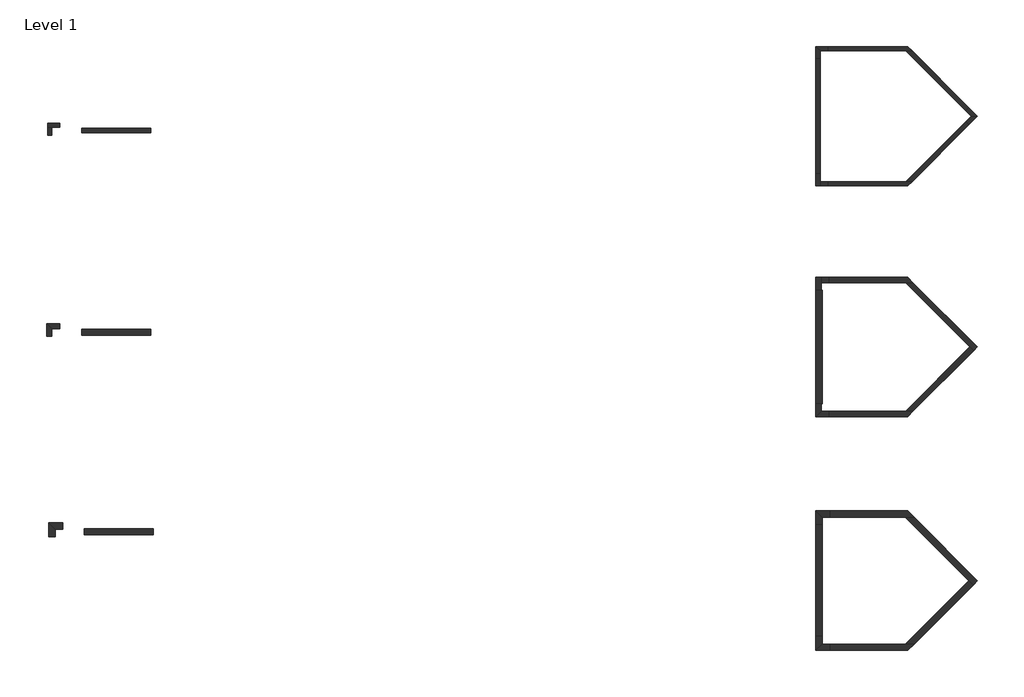
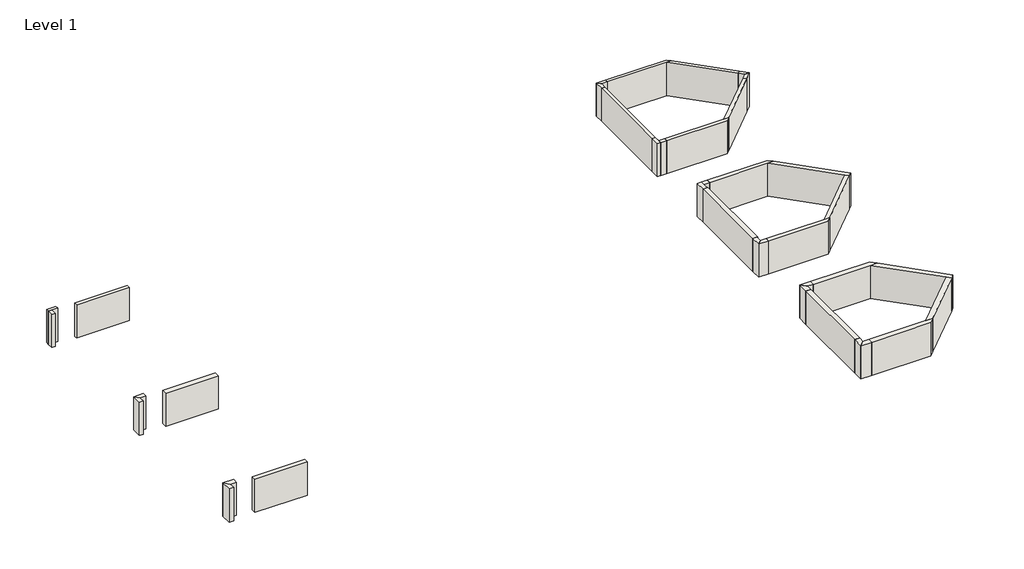
# One storey: 38 walls.
"""IFC4 building model written with IfcOpenShell, lengths in millimetres."""

import ifcopenshell
import ifcopenshell.guid

model = None  # the IFC model being written
_history = None  # IfcOwnerHistory: only IFC2X3 demands one
_inside = {}  # id of a spatial element -> (the spatial element, [elements in it])
_under = {}  # id of a project, library or spatial element -> (it, [spatial elements below it])
_declared = {}  # id of a project -> (the project, [libraries it declares])
_typed = {}  # id of a type object -> (the type object, [elements of that type])
_made_of = {}  # id of a material, layer set ... -> (it, [elements and type objects made of it])


def new_model(schema):
    """Start an empty IFC model of exactly this schema.

    Asked for "IFC4X3", IfcOpenShell would pick the latest addendum, in which some entities
    have other attributes; the version numbers below select the first issue.
    IFC2X3 requires an IfcOwnerHistory on every rooted entity: one is made here for all.
    """
    global model, _history
    if schema == "IFC4X3":
        model = ifcopenshell.file(schema_version=(4, 3, 0, 0))
    else:
        model = ifcopenshell.file(schema=schema)
    _inside.clear()
    _under.clear()
    _declared.clear()
    _typed.clear()
    _made_of.clear()
    _history = None
    if model.schema == "IFC2X3":
        org = make("IfcOrganization", Name="unknown")
        user = make(
            "IfcPersonAndOrganization",
            ThePerson=make("IfcPerson", FamilyName="unknown"),
            TheOrganization=org,
        )
        app = make(
            "IfcApplication",
            ApplicationDeveloper=org,
            Version="unknown",
            ApplicationFullName="unknown",
            ApplicationIdentifier="unknown",
        )
        _history = make(
            "IfcOwnerHistory",
            OwningUser=user,
            OwningApplication=app,
            ChangeAction="ADDED",
            CreationDate=0,
        )
    return model


def make(cls, **values):
    """One entity of the class cls with the attributes given. An attribute that is None is left unset."""
    return model.create_entity(
        cls, **{name: value for name, value in values.items() if value is not None}
    )


def rooted(cls, **values):
    """An entity with a GlobalId (a new one), such as an element, a storey or a relation."""
    return make(cls, GlobalId=ifcopenshell.guid.new(), OwnerHistory=_history, **values)


def si_unit(unit_type, name, prefix=None):
    """IfcSIUnit, for example si_unit("LENGTHUNIT", "METRE", prefix="MILLI")."""
    return make("IfcSIUnit", UnitType=unit_type, Prefix=prefix, Name=name)


def assignment(units):
    """IfcUnitAssignment: the units of a project."""
    return None if units is None else make("IfcUnitAssignment", Units=units)


def point(xyz):
    """IfcCartesianPoint."""
    return None if xyz is None else make("IfcCartesianPoint", Coordinates=xyz)


def direction(xyz):
    """IfcDirection."""
    return None if xyz is None else make("IfcDirection", DirectionRatios=xyz)


def frame(location, z_axis=None, x_axis=None):
    """IfcAxis2Placement3D, a coordinate frame: its origin and axes. An axis left out is left unset."""
    return make(
        "IfcAxis2Placement3D",
        Location=point(location),
        Axis=direction(z_axis),
        RefDirection=direction(x_axis),
    )


def origin():
    """The frame at (0, 0, 0) with its axes left unset."""
    return frame((0.0, 0.0, 0.0))


def origin_with_axes():
    """The frame at (0, 0, 0) with the z axis (0, 0, 1) and the x axis (1, 0, 0) written out."""
    return frame((0.0, 0.0, 0.0), z_axis=(0.0, 0.0, 1.0), x_axis=(1.0, 0.0, 0.0))


def place(relative_to, where):
    """IfcLocalPlacement: puts the frame where relative to a parent placement (None: the world)."""
    return make(
        "IfcLocalPlacement", PlacementRelTo=relative_to, RelativePlacement=where
    )


def context(
    kind, dimensions, precision=None, world=None, true_north=None, identifier=None
):
    """IfcGeometricRepresentationContext, for example the 3D "Model" context."""
    return make(
        "IfcGeometricRepresentationContext",
        ContextIdentifier=identifier,
        ContextType=kind,
        CoordinateSpaceDimension=dimensions,
        Precision=precision,
        WorldCoordinateSystem=world,
        TrueNorth=true_north,
    )


def project(units=None, contexts=None):
    """IfcProject with its units and contexts."""
    return rooted(
        "IfcProject",
        Name="project",
        RepresentationContexts=contexts,
        UnitsInContext=assignment(units),
    )


def spatial(cls, under=None, at=None, **own):
    """A site, building, storey or space (cls), placed at a placement, below another one or the project."""
    s = rooted(cls, ObjectPlacement=at, **own)
    if under is not None:
        _under.setdefault(under.id(), (under, []))[1].append(s)
    return s


def polyline(points):
    """IfcPolyline through the points."""
    return make("IfcPolyline", Points=[point(p) for p in points])


def outline(outer, holes=None, kind="AREA"):
    """IfcArbitraryClosedProfileDef: a profile drawn as a closed curve; with holes, ...WithVoids."""
    if holes is None:
        return make("IfcArbitraryClosedProfileDef", ProfileType=kind, OuterCurve=outer)
    return make(
        "IfcArbitraryProfileDefWithVoids",
        ProfileType=kind,
        OuterCurve=outer,
        InnerCurves=holes,
    )


def extrude(swept, where, along, depth):
    """IfcExtrudedAreaSolid: the profile swept, set in the frame where, extruded along a direction by depth."""
    return make(
        "IfcExtrudedAreaSolid",
        SweptArea=swept,
        Position=where,
        ExtrudedDirection=direction(along),
        Depth=depth,
    )


def faces_of(points, faces, orient=None, outer=None):
    """IfcFace entities. A face is a list of loops; a loop is a list of indices into points, from 0.

    orient and outer hold one flag for each loop. By default every Orientation is true, the
    first loop of a face is its IfcFaceOuterBound and the others are IfcFaceBound.
    """
    made = []
    for i, loops in enumerate(faces):
        bounds = []
        for j, loop in enumerate(loops):
            is_outer = j == 0 if outer is None else outer[i][j]
            bounds.append(
                make(
                    "IfcFaceOuterBound" if is_outer else "IfcFaceBound",
                    Bound=make("IfcPolyLoop", Polygon=[points[k] for k in loop]),
                    Orientation=True if orient is None else orient[i][j],
                )
            )
        made.append(make("IfcFace", Bounds=bounds))
    return made


def faceted_brep(points, faces, orient=None, outer=None, voids=None):
    """IfcFacetedBrep: a solid bounded by flat faces; with voids (closed shells), ...WithVoids."""
    shared = [point(p) for p in points]
    hull = make("IfcClosedShell", CfsFaces=faces_of(shared, faces, orient, outer))
    if voids is None:
        return make("IfcFacetedBrep", Outer=hull)
    return make(
        "IfcFacetedBrepWithVoids",
        Outer=hull,
        Voids=[
            make(cls, CfsFaces=faces_of(shared, fs, o, b)) for cls, fs, o, b in voids
        ],
    )


def shape(context_of_items, identifier, shape_type, items):
    """IfcShapeRepresentation: the items that make up one representation, for example the "Body"."""
    return make(
        "IfcShapeRepresentation",
        ContextOfItems=context_of_items,
        RepresentationIdentifier=identifier,
        RepresentationType=shape_type,
        Items=items,
    )


def made_of(thing, what):
    """Note that an element or type object is made of a material, layer set ...; save() writes the relation."""
    if what is not None:
        _made_of.setdefault(what.id(), (what, []))[1].append(thing)
    return thing


def element(
    cls,
    number,
    at=None,
    inside=None,
    cuts=None,
    type_object=None,
    material=None,
    context=None,
    identifier="Body",
    shape_type=None,
    held_by="IfcProductDefinitionShape",
    body=None,
    shapes=None,
    **own,
):
    """One element of the class cls, such as IfcWall. Its Tag is "e" and its number.

    at: its placement. inside: the storey or other place that contains it. cuts: it is an
    opening in that element (IfcRelVoidsElement). A single representation is given by context,
    identifier, shape_type and body (its items); several are given by shapes. held_by: the class
    of the entity that holds the representations. save() writes the other relations.
    """
    e = rooted(cls, Tag="e%d" % number, ObjectPlacement=at, **own)
    if body is not None:
        shapes = [shape(context, identifier, shape_type, body)]
    if shapes is not None:
        e.Representation = make(held_by, Representations=shapes)
    if inside is not None:
        _inside.setdefault(inside.id(), (inside, []))[1].append(e)
    if cuts is not None:
        rooted(
            "IfcRelVoidsElement", RelatingBuildingElement=cuts, RelatedOpeningElement=e
        )
    if type_object is not None:
        _typed.setdefault(type_object.id(), (type_object, []))[1].append(e)
    return made_of(e, material)


def aggregate(whole, parts):
    """IfcRelAggregates: a whole, such as a stair, and the parts it consists of."""
    return rooted("IfcRelAggregates", RelatingObject=whole, RelatedObjects=parts)


def save(model, path):
    """Write the relations noted so far, then the file.

    IfcRelAggregates (storeys below a building ...), IfcRelContainedInSpatialStructure (elements
    in a storey), IfcRelDefinesByType, IfcRelAssociatesMaterial and IfcRelDeclares: one each for
    every whole, place, type object, material and project.
    """
    for whole, parts in _under.values():
        aggregate(whole, parts)
    for where, things in _inside.values():
        rooted(
            "IfcRelContainedInSpatialStructure",
            RelatedElements=things,
            RelatingStructure=where,
        )
    for kind, things in _typed.values():
        rooted("IfcRelDefinesByType", RelatedObjects=things, RelatingType=kind)
    for what, things in _made_of.values():
        rooted("IfcRelAssociatesMaterial", RelatedObjects=things, RelatingMaterial=what)
    for by, libraries in _declared.values():
        rooted("IfcRelDeclares", RelatingContext=by, RelatedDefinitions=libraries)
    model.write(path)


model = new_model("IFC4")

# Units and contexts
model_context = context("Model", 3, world=origin())
ifc_project = project(units=[si_unit("LENGTHUNIT", "METRE", prefix="MILLI")], contexts=[model_context])

# Site, building, storey
site = spatial("IfcSite", under=ifc_project)
building = spatial("IfcBuilding", under=site)
storey = spatial("IfcBuildingStorey", under=building, Name="Level 1", Elevation=0.0)

# Walls
placement = place(None, origin())
element("IfcWall", 1, at=placement, inside=storey, context=model_context, shape_type="Brep", body=[
    faceted_brep([(27470.1298824, 2909.1367059, 0.0), (23253.7298824, 2909.1367059, 0.0), (23253.7298824, 2909.1367059, 2438.4), (27470.1298824, 2909.1367059, 2438.4), (27698.7298824, 2680.5367059, 0.0), (27698.7298824, 2680.5367059, 2438.4), (27375.440662, 2680.5367059, 2438.4), (23253.7298824, 2680.5367059, 2438.4), (23253.7298824, 2680.5367059, 0.0), (27375.440662, 2680.5367059, 0.0)], [[[0, 1, 2, 3]], [[4, 5, 6, 7, 8, 9]], [[1, 0, 4, 9, 8]], [[2, 1, 8, 7]], [[3, 2, 7, 6, 5]], [[0, 3, 5, 4]]]),
])
element("IfcWall", 2, at=placement, inside=storey, context=model_context, shape_type="SweptSolid", body=[
    extrude(outline(polyline([(22847.3298824, 2680.5367059), (22847.3298824, 2274.1367059), (22618.7298824, 2274.1367059), (22618.7298824, 2909.1367059), (22847.3298824, 2680.5367059)])), origin_with_axes(), (0.0, 0.0, 1.0), 2438.4),
])
element("IfcWall", 3, at=placement, inside=storey, context=model_context, shape_type="SweptSolid", body=[
    extrude(outline(polyline([(23253.7298824, 2680.5367059), (22847.3298824, 2680.5367059), (22618.7298824, 2909.1367059), (23253.7298824, 2909.1367059), (23253.7298824, 2680.5367059)])), origin_with_axes(), (0.0, 0.0, 1.0), 2438.4),
])
element("IfcWall", 4, at=placement, inside=storey, context=model_context, shape_type="SweptSolid", body=[
    extrude(outline(polyline([(22618.7298824, -3821.8632941), (22618.7298824, 2274.1367059), (22847.3298824, 2274.1367059), (22847.3298824, -3821.8632941), (22618.7298824, -3821.8632941)])), origin_with_axes(), (0.0, 0.0, 1.0), 2438.4),
])
element("IfcWall", 5, at=placement, inside=storey, context=model_context, shape_type="Brep", body=[
    faceted_brep([(22618.7298824, -3821.8632941, 0.0), (22618.7298824, -4456.8632941, 0.0), (22618.7298824, -4456.8632941, 2438.4), (22618.7298824, -3821.8632941, 2438.4), (22847.3298824, -3821.8632941, 0.0), (22847.3298824, -3821.8632941, 2438.4), (22847.3298824, -4228.2632941, 2438.4), (22847.3298824, -4456.8632941, 2438.4), (22847.3298824, -4456.8632941, 0.0), (22847.3298824, -4228.2632941, 0.0)], [[[0, 1, 2, 3]], [[4, 5, 6, 7, 8, 9]], [[1, 0, 4, 9, 8]], [[3, 2, 7, 6, 5]], [[0, 3, 5, 4]], [[2, 1, 8, 7]]]),
])
element("IfcWall", 6, at=placement, inside=storey, context=model_context, shape_type="SweptSolid", body=[
    extrude(outline(polyline([(23253.7298824, -4456.8632941), (22847.3298824, -4456.8632941), (22847.3298824, -4228.2632941), (23253.7298824, -4228.2632941), (23253.7298824, -4456.8632941)])), origin_with_axes(), (0.0, 0.0, 1.0), 2438.4),
])
element("IfcWall", 7, at=placement, inside=storey, context=model_context, shape_type="Brep", body=[
    faceted_brep([(23253.7298824, -4456.8632941, 0.0), (27470.1298824, -4456.8632941, 0.0), (27470.1298824, -4456.8632941, 2438.4), (23253.7298824, -4456.8632941, 2438.4), (23253.7298824, -4228.2632941, 0.0), (23253.7298824, -4228.2632941, 2438.4), (27375.440662, -4228.2632941, 2438.4), (27698.7298824, -4228.2632941, 2438.4), (27698.7298824, -4228.2632941, 0.0), (27375.440662, -4228.2632941, 0.0)], [[[0, 1, 2, 3]], [[4, 5, 6, 7, 8, 9]], [[1, 0, 4, 9, 8]], [[3, 2, 7, 6, 5]], [[0, 3, 5, 4]], [[2, 1, 8, 7]]]),
])
element("IfcWall", 8, at=placement, inside=storey, context=model_context, shape_type="SweptSolid", body=[
    extrude(outline(polyline([(30704.1170763, -1222.8761002), (27698.7298824, -4228.2632941), (27375.440662, -4228.2632941), (30542.4724661, -1061.23149), (30704.1170763, -1222.8761002)])), origin_with_axes(), (0.0, 0.0, 1.0), 2438.4),
])
element("IfcWall", 9, at=placement, inside=storey, context=model_context, shape_type="SweptSolid", body=[
    extrude(outline(polyline([(30542.4724661, -486.4950982), (27375.440662, 2680.5367059), (27698.7298824, 2680.5367059), (30704.1170763, -324.8504881), (30542.4724661, -486.4950982)])), origin_with_axes(), (0.0, 0.0, 1.0), 2438.4),
])
element("IfcWall", 10, at=placement, inside=storey, context=model_context, shape_type="SweptSolid", body=[
    extrude(outline(polyline([(30829.840662, -773.8632941), (30542.4724661, -486.4950982), (30704.1170763, -324.8504881), (31153.1298824, -773.8632941), (30829.840662, -773.8632941)])), origin_with_axes(), (0.0, 0.0, 1.0), 2438.4),
])
element("IfcWall", 11, at=placement, inside=storey, context=model_context, shape_type="SweptSolid", body=[
    extrude(outline(polyline([(30542.4724661, -1061.23149), (30829.840662, -773.8632941), (31153.1298824, -773.8632941), (30704.1170763, -1222.8761002), (30542.4724661, -1061.23149)])), origin_with_axes(), (0.0, 0.0, 1.0), 2438.4),
])
element("IfcWall", 12, at=placement, inside=storey, context=model_context, shape_type="Brep", body=[
    faceted_brep([(-17347.3747712, -1132.6268103, 0.0), (-17982.3747712, -1132.6268103, 0.0), (-17982.3747712, -1132.6268103, 2438.4), (-17347.3747712, -1132.6268103, 2438.4), (-17347.3747712, -1361.2268103, 0.0), (-17347.3747712, -1361.2268103, 2438.4), (-17753.7747712, -1361.2268103, 2438.4), (-17982.3747712, -1361.2268103, 2438.4), (-17982.3747712, -1361.2268103, 0.0), (-17753.7747712, -1361.2268103, 0.0)], [[[0, 1, 2, 3]], [[4, 5, 6, 7, 8, 9]], [[1, 0, 4, 9, 8]], [[3, 2, 7, 6, 5]], [[0, 3, 5, 4]], [[2, 1, 8, 7]]]),
])
element("IfcWall", 13, at=placement, inside=storey, context=model_context, shape_type="SweptSolid", body=[
    extrude(outline(polyline([(-17982.3747712, -1767.6268103), (-17982.3747712, -1361.2268103), (-17753.7747712, -1361.2268103), (-17753.7747712, -1767.6268103), (-17982.3747712, -1767.6268103)])), origin_with_axes(), (0.0, 0.0, 1.0), 2438.4),
])
element("IfcWall", 14, at=placement, inside=storey, context=model_context, shape_type="Brep", body=[
    faceted_brep([(27466.8780889, -9279.6115007, 0.0), (23305.3879591, -9279.6115007, 0.0), (23305.3879591, -9279.6115007, 2438.4), (27466.8780889, -9279.6115007, 2438.4), (27746.2780889, -9559.0115007, 0.0), (27746.2780889, -9559.0115007, 2438.4), (27351.1468196, -9559.0115007, 2438.4), (23305.3879591, -9559.0115007, 2438.4), (23305.3879591, -9559.0115007, 0.0), (27351.1468196, -9559.0115007, 0.0)], [[[0, 1, 2, 3]], [[4, 5, 6, 7, 8, 9]], [[1, 0, 4, 9, 8]], [[2, 1, 8, 7]], [[3, 2, 7, 6, 5]], [[0, 3, 5, 4]]]),
])
element("IfcWall", 15, at=placement, inside=storey, context=model_context, shape_type="Brep", body=[
    faceted_brep([(22618.7298824, -9965.4115007, 0.0), (22618.7298824, -15966.3150876, 0.0), (22618.7298824, -15966.3150876, 2438.4), (22618.7298824, -9965.4115007, 2438.4), (22948.9298824, -9965.4115007, 0.0), (22948.9298824, -9965.4115007, 2438.4), (22948.9298824, -15966.3150876, 2438.4), (22948.9298824, -15966.3150876, 0.0), (22619.5879591, -9965.4115007, 0.0), (22898.9879591, -9965.4115007, 0.0), (22898.9879591, -15966.3150876, 0.0), (22619.5879591, -15966.3150876, 0.0), (22898.9879591, -15966.3150876, 2438.4), (22619.5879591, -15966.3150876, 2438.4), (22898.9879591, -9965.4115007, 2438.4), (22619.5879591, -9965.4115007, 2438.4)], [[[0, 1, 2, 3]], [[4, 5, 6, 7]], [[1, 0, 8, 9, 4, 7, 10, 11]], [[2, 1, 11, 10, 7, 6, 12, 13]], [[3, 2, 13, 12, 6, 5, 14, 15]], [[0, 3, 15, 14, 5, 4, 9, 8]]]),
])
element("IfcWall", 16, at=placement, inside=storey, context=model_context, shape_type="Brep", body=[
    faceted_brep([(23305.3879591, -16652.1150876, 0.0), (27466.8780889, -16652.1150876, 0.0), (27466.8780889, -16652.1150876, 2438.4), (23305.3879591, -16652.1150876, 2438.4), (23305.3879591, -16372.7150876, 0.0), (23305.3879591, -16372.7150876, 2438.4), (27351.1468196, -16372.7150876, 2438.4), (27746.2780889, -16372.7150876, 2438.4), (27746.2780889, -16372.7150876, 0.0), (27351.1468196, -16372.7150876, 0.0)], [[[0, 1, 2, 3]], [[4, 5, 6, 7, 8, 9]], [[1, 0, 4, 9, 8]], [[3, 2, 7, 6, 5]], [[0, 3, 5, 4]], [[2, 1, 8, 7]]]),
])
element("IfcWall", 17, at=placement, inside=storey, context=model_context, shape_type="SweptSolid", body=[
    extrude(outline(polyline([(30955.5642477, -13163.4289288), (27746.2780889, -16372.7150876), (27351.1468196, -16372.7150876), (30757.998613, -12965.8632941), (30955.5642477, -13163.4289288)])), origin_with_axes(), (0.0, 0.0, 1.0), 2438.4),
])
element("IfcWall", 18, at=placement, inside=storey, context=model_context, shape_type="Brep", body=[
    faceted_brep([(27351.1468196, -9559.0115007, 0.0), (30757.998613, -12965.8632941, 0.0), (30955.5642477, -13163.4289288, 0.0), (30955.5642477, -13163.4289288, 2438.4), (30757.998613, -12965.8632941, 2438.4), (27351.1468196, -9559.0115007, 2438.4), (27746.2780889, -9559.0115007, 0.0), (27746.2780889, -9559.0115007, 2438.4), (31153.1298824, -12965.8632941, 2438.4), (31153.1298824, -12965.8632941, 0.0)], [[[0, 1, 2, 3, 4, 5]], [[6, 7, 8, 9]], [[2, 1, 0, 6, 9]], [[5, 4, 3, 8, 7]], [[3, 2, 9, 8]], [[0, 5, 7, 6]]]),
])
element("IfcWall", 19, at=placement, inside=storey, context=model_context, shape_type="SweptSolid", body=[
    extrude(outline(polyline([(-12524.6265647, -12357.1757609), (-16182.2265647, -12357.1757609), (-16182.2265647, -12026.9757609), (-12524.6265647, -12026.9757609), (-12524.6265647, -12357.1757609)])), origin_with_axes(), (0.0, 0.0, 1.0), 2438.4),
])
element("IfcWall", 20, at=placement, inside=storey, context=model_context, shape_type="Brep", body=[
    faceted_brep([(27470.1298824, -21627.2632941, 0.0), (23356.1879591, -21627.2632941, 0.0), (23356.1879591, -21627.2632941, 2438.4), (27470.1298824, -21627.2632941, 2438.4), (27800.3298824, -21957.4632941, 0.0), (27800.3298824, -21957.4632941, 2438.4), (27333.3565641, -21957.4632941, 2438.4), (23356.1879591, -21957.4632941, 2438.4), (23356.1879591, -21957.4632941, 0.0), (27333.3565641, -21957.4632941, 0.0)], [[[0, 1, 2, 3]], [[4, 5, 6, 7, 8, 9]], [[1, 0, 4, 9, 8]], [[2, 1, 8, 7]], [[3, 2, 7, 6, 5]], [[0, 3, 5, 4]]]),
])
element("IfcWall", 21, at=placement, inside=storey, context=model_context, shape_type="SweptSolid", body=[
    extrude(outline(polyline([(22619.5879591, -28256.6632941), (22619.5879591, -22363.8632941), (22949.7879591, -22363.8632941), (22949.7879591, -28256.6632941), (22619.5879591, -28256.6632941)])), origin_with_axes(), (0.0, 0.0, 1.0), 2438.4),
])
element("IfcWall", 22, at=placement, inside=storey, context=model_context, shape_type="Brep", body=[
    faceted_brep([(23356.1879591, -28993.2632941, 0.0), (27470.1298824, -28993.2632941, 0.0), (27470.1298824, -28993.2632941, 2438.4), (23356.1879591, -28993.2632941, 2438.4), (23356.1879591, -28663.0632941, 0.0), (23356.1879591, -28663.0632941, 2438.4), (27333.3565641, -28663.0632941, 2438.4), (27800.3298824, -28663.0632941, 2438.4), (27800.3298824, -28663.0632941, 0.0), (27333.3565641, -28663.0632941, 0.0)], [[[0, 1, 2, 3]], [[4, 5, 6, 7, 8, 9]], [[1, 0, 4, 9, 8]], [[3, 2, 7, 6, 5]], [[0, 3, 5, 4]], [[2, 1, 8, 7]]]),
])
element("IfcWall", 23, at=placement, inside=storey, context=model_context, shape_type="SweptSolid", body=[
    extrude(outline(polyline([(30919.6432232, -25543.7499533), (27800.3298824, -28663.0632941), (27333.3565641, -28663.0632941), (30686.1565641, -25310.2632941), (30919.6432232, -25543.7499533)])), origin_with_axes(), (0.0, 0.0, 1.0), 2438.4),
])
element("IfcWall", 24, at=placement, inside=storey, context=model_context, shape_type="Brep", body=[
    faceted_brep([(27333.3565641, -21957.4632941, 0.0), (30686.1565641, -25310.2632941, 0.0), (30919.6432232, -25543.7499533, 0.0), (30919.6432232, -25543.7499533, 2438.4), (30686.1565641, -25310.2632941, 2438.4), (27333.3565641, -21957.4632941, 2438.4), (27800.3298824, -21957.4632941, 0.0), (27800.3298824, -21957.4632941, 2438.4), (31153.1298824, -25310.2632941, 2438.4), (31153.1298824, -25310.2632941, 0.0)], [[[0, 1, 2, 3, 4, 5]], [[6, 7, 8, 9]], [[2, 1, 0, 6, 9]], [[5, 4, 3, 8, 7]], [[3, 2, 9, 8]], [[0, 5, 7, 6]]]),
])
element("IfcWall", 25, at=placement, inside=storey, context=model_context, shape_type="SweptSolid", body=[
    extrude(outline(polyline([(-12396.060528, -22898.0466891), (-16053.660528, -22898.0466891), (-16053.660528, -22567.8466891), (-12396.060528, -22567.8466891), (-12396.060528, -22898.0466891)])), origin_with_axes(), (0.0, 0.0, 1.0), 2438.4),
])
element("IfcWall", 26, at=placement, inside=storey, context=model_context, shape_type="SweptSolid", body=[
    extrude(outline(polyline([(-18035.5684879, -11725.4275543), (-17349.7684879, -11725.4275543), (-17349.7684879, -12004.8275543), (-17756.1684879, -12004.8275543), (-18035.5684879, -11725.4275543)])), origin_with_axes(), (0.0, 0.0, 1.0), 2438.4),
])
element("IfcWall", 27, at=placement, inside=storey, context=model_context, shape_type="SweptSolid", body=[
    extrude(outline(polyline([(-18035.5684879, -12411.2275543), (-18035.5684879, -11725.4275543), (-17756.1684879, -12004.8275543), (-17756.1684879, -12411.2275543), (-18035.5684879, -12411.2275543)])), origin_with_axes(), (0.0, 0.0, 1.0), 2438.4),
])
element("IfcWall", 28, at=placement, inside=storey, context=model_context, shape_type="Brep", body=[
    faceted_brep([(22898.9879591, -9965.4115007, 0.0), (22898.9879591, -9559.0115007, 0.0), (22898.9879591, -9279.6115007, 0.0), (22898.9879591, -9279.6115007, 2438.4), (22898.9879591, -9559.0115007, 2438.4), (22898.9879591, -9965.4115007, 2438.4), (22619.5879591, -9965.4115007, 0.0), (22619.5879591, -9965.4115007, 2438.4), (22619.5879591, -9279.6115007, 2438.4), (22619.5879591, -9279.6115007, 0.0)], [[[0, 1, 2, 3, 4, 5]], [[6, 7, 8, 9]], [[2, 1, 0, 6, 9]], [[5, 4, 3, 8, 7]], [[0, 5, 7, 6]], [[3, 2, 9, 8]]]),
])
element("IfcWall", 29, at=placement, inside=storey, context=model_context, shape_type="SweptSolid", body=[
    extrude(outline(polyline([(23305.3879591, -9559.0115007), (22898.9879591, -9559.0115007), (22898.9879591, -9279.6115007), (23305.3879591, -9279.6115007), (23305.3879591, -9559.0115007)])), origin_with_axes(), (0.0, 0.0, 1.0), 2438.4),
])
element("IfcWall", 30, at=placement, inside=storey, context=model_context, shape_type="SweptSolid", body=[
    extrude(outline(polyline([(22619.5879591, -16652.1150876), (22619.5879591, -15966.3150876), (22898.9879591, -15966.3150876), (22898.9879591, -16372.7150876), (22619.5879591, -16652.1150876)])), origin_with_axes(), (0.0, 0.0, 1.0), 2438.4),
])
element("IfcWall", 31, at=placement, inside=storey, context=model_context, shape_type="SweptSolid", body=[
    extrude(outline(polyline([(23305.3879591, -16652.1150876), (22619.5879591, -16652.1150876), (22898.9879591, -16372.7150876), (23305.3879591, -16372.7150876), (23305.3879591, -16652.1150876)])), origin_with_axes(), (0.0, 0.0, 1.0), 2438.4),
])
element("IfcWall", 32, at=placement, inside=storey, context=model_context, shape_type="SweptSolid", body=[
    extrude(outline(polyline([(-17907.0024513, -22266.2984825), (-17170.4024513, -22266.2984825), (-17170.4024513, -22596.4984825), (-17576.8024513, -22596.4984825), (-17907.0024513, -22266.2984825)])), origin_with_axes(), (0.0, 0.0, 1.0), 2438.4),
])
element("IfcWall", 33, at=placement, inside=storey, context=model_context, shape_type="SweptSolid", body=[
    extrude(outline(polyline([(-17907.0024513, -23002.8984825), (-17907.0024513, -22266.2984825), (-17576.8024513, -22596.4984825), (-17576.8024513, -23002.8984825), (-17907.0024513, -23002.8984825)])), origin_with_axes(), (0.0, 0.0, 1.0), 2438.4),
])
element("IfcWall", 34, at=placement, inside=storey, context=model_context, shape_type="SweptSolid", body=[
    extrude(outline(polyline([(22949.7879591, -28663.0632941), (23356.1879591, -28663.0632941), (23356.1879591, -28993.2632941), (22619.5879591, -28993.2632941), (22949.7879591, -28663.0632941)])), origin_with_axes(), (0.0, 0.0, 1.0), 2438.4),
])
element("IfcWall", 35, at=placement, inside=storey, context=model_context, shape_type="SweptSolid", body=[
    extrude(outline(polyline([(22949.7879591, -28256.6632941), (22949.7879591, -28663.0632941), (22619.5879591, -28993.2632941), (22619.5879591, -28256.6632941), (22949.7879591, -28256.6632941)])), origin_with_axes(), (0.0, 0.0, 1.0), 2438.4),
])
element("IfcWall", 36, at=placement, inside=storey, context=model_context, shape_type="SweptSolid", body=[
    extrude(outline(polyline([(22619.5879591, -21627.2632941), (23356.1879591, -21627.2632941), (23356.1879591, -21957.4632941), (22949.7879591, -21957.4632941), (22619.5879591, -21627.2632941)])), origin_with_axes(), (0.0, 0.0, 1.0), 2438.4),
])
element("IfcWall", 37, at=placement, inside=storey, context=model_context, shape_type="SweptSolid", body=[
    extrude(outline(polyline([(22619.5879591, -22363.8632941), (22619.5879591, -21627.2632941), (22949.7879591, -21957.4632941), (22949.7879591, -22363.8632941), (22619.5879591, -22363.8632941)])), origin_with_axes(), (0.0, 0.0, 1.0), 2438.4),
])
element("IfcWall", 38, at=placement, inside=storey, context=model_context, shape_type="SweptSolid", body=[
    extrude(outline(polyline([(-12524.6265647, -1644.7366805), (-16182.2265647, -1644.7366805), (-16182.2265647, -1416.1366805), (-12524.6265647, -1416.1366805), (-12524.6265647, -1644.7366805)])), origin_with_axes(), (0.0, 0.0, 1.0), 2438.4),
])

save(model, "model.ifc")
